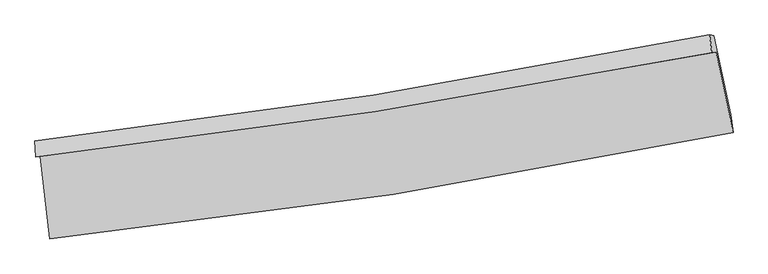
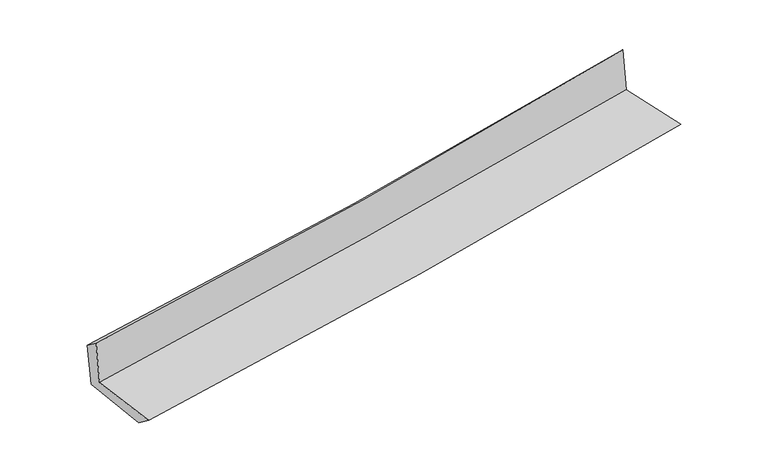
"""IFC4 building model written with IfcOpenShell, lengths in millimetres: proxy geometry."""

from ifc_helpers import new_model, si_unit, frame, origin, place, context, project, spatial, source, transform, mapped, element, save
from ifc_brep_helpers import plane_surface, spline_curve, spline_surface, advanced_brep


def generic_models_fa4bff21(model_context):
    return source(origin(), model_context, "Body", "AdvancedBrep", [
        advanced_brep(
        [(-2759.8388033, -1900.1940263, 1633.476205), (-2679.2912004, -2566.3889999, 1630.9690881), (2837.7212677, -1707.2007289, 2135.5666555), (2700.6532447, -1055.410027, 2133.1856521), (-2793.4593601, -1905.7839674, 2038.696802), (2666.3772486, -1061.1089452, 2546.3061041), (-2801.0251616, -1774.8377615, 1941.513745), (2648.0782665, -916.7440987, 2405.3383213), (-2766.7649536, -1780.0492289, 1544.1255734), (2682.9370963, -921.7561636, 2011.6997952), (-2687.6678154, -2419.4262317, 1520.545193), (2819.376489, -1561.7778559, 1992.5373314)],
        [
            (0, 1),
            (1, 2, spline_curve(3, [(-2679.2912004, -2566.3889999, 1630.9690881), (-1752.361457995, -2470.548792103, 1730.025699268), (-828.718283276, -2350.940420511, 1821.636198433), (1010.273590509, -2064.455505944, 1989.807560678), (1925.634571589, -1897.667787609, 2066.396250505), (2837.7212677, -1707.2007289, 2135.5666555)], [4, 2, 4], [0.0, 9.160501044809303, 18.303869222397353])),
            (2, 3),
            (3, 0, spline_curve(3, [(2700.6532447, -1055.410027, 2133.1856521), (1795.408674243, -1231.658639821, 2064.779069148), (888.173179808, -1390.132371396, 1988.97922877), (-931.983368251, -1671.793713677, 1822.437145785), (-1844.911889532, -1794.914648604, 1731.667170499), (-2759.8388033, -1900.1940263, 1633.476205)], [4, 2, 4], [0.0, 9.14336817758805, 18.303869222397353])),
            (4, 0),
            (3, 5),
            (5, 4, spline_curve(3, [(2666.3772486, -1061.1089452, 2546.3061041), (1762.815770773, -1237.07771767, 2457.613605172), (856.477127935, -1395.402333705, 2371.004223078), (-963.457990915, -1677.026859708, 2201.793308586), (-1877.064884254, -1800.2605846, 2119.199589699), (-2793.4593601, -1905.7839674, 2038.696802)], [4, 2, 4], [0.0, 9.094641048000252, 18.206323658198805])),
            (6, 4),
            (5, 7),
            (7, 6, spline_curve(3, [(2648.0782665, -916.7440987, 2405.3383213), (1746.607922589, -1099.876799955, 2331.312403675), (842.208583793, -1262.902860637, 2255.685076497), (-974.1482386, -1549.009503947, 2101.082891294), (-1886.116709038, -1672.014663983, 2022.102026657), (-2801.0251616, -1774.8377615, 1941.513745)], [4, 2, 4], [0.0, 9.084744121143594, 18.186511259598042])),
            (8, 6),
            (7, 9),
            (9, 8, spline_curve(3, [(2682.9370963, -921.7561636, 2011.6997952), (1780.990271862, -1104.869785587, 1941.48373327), (876.302677919, -1267.902883479, 1867.451231301), (-940.254390961, -1554.075896228, 1711.607473147), (-1852.134146875, -1677.140486722, 1629.781901221), (-2766.7649536, -1780.0492289, 1544.1255734)], [4, 2, 4], [0.0, 9.07582273840727, 18.168651777215075])),
            (10, 8),
            (9, 11),
            (11, 10, spline_curve(3, [(2819.376489, -1561.7778559, 1992.5373314), (1909.414888182, -1751.684447185, 1921.397706245), (995.94657494, -1918.063585135, 1846.535519551), (-839.721705542, -2204.034631526, 1689.218770542), (-1761.934827458, -2323.538285019, 1606.750244523), (-2687.6678154, -2419.4262317, 1520.545193)], [4, 2, 4], [0.0, 9.123559872625664, 18.2642154956189])),
            (1, 10),
            (11, 2),
        ],
        [
            spline_surface(3, 3, [[(-2759.8388033, -1900.1940263, 1633.476205), (-1844.911889622, -1794.914648489, 1731.667170604), (-931.983368133, -1671.793713571, 1822.437145906), (888.173179691, -1390.132371503, 1988.97922865), (1795.408674179, -1231.658639959, 2064.779069023), (2700.6532447, -1055.410027, 2133.1856521)], [(-2732.989602337, -2122.259017508, 1632.640499354), (-1814.061745796, -2020.126029696, 1731.12001345), (-897.561673184, -1898.175949175, 1822.17016338), (928.873316633, -1614.906749697, 1989.255339308), (1838.81730667, -1453.661689115, 2065.31812953), (2746.342585679, -1272.673594287, 2133.979319887)], [(-2706.140401363, -2344.324008692, 1631.804793746), (-1783.211601958, -2245.337410877, 1730.572856334), (-863.139978234, -2124.558184773, 1821.903180933), (969.573453576, -1839.681127884, 1989.531450045), (1882.225939223, -1675.664738309, 2065.857190076), (2792.031926721, -1489.937161613, 2134.772987713)], [(-2679.2912004, -2566.3889999, 1630.9690881), (-1752.361458133, -2470.548792084, 1730.025699179), (-828.718283285, -2350.940420377, 1821.636198407), (1010.273590519, -2064.455506077, 1989.807560703), (1925.634571715, -1897.667787464, 2066.396250583), (2837.7212677, -1707.2007289, 2135.5666555)]], [4, 4], [4, 2, 4], [0.0, 2.250832328912361], [0.0, 9.160501044809303, 18.303869222397353]),
            spline_surface(3, 3, [[(-2793.4593601, -1905.7839674, 2038.696802), (-1877.064884316, -1800.260584536, 2119.199589643), (-963.45799087, -1677.026859725, 2201.793308463), (856.47712789, -1395.402333688, 2371.004223201), (1762.815770687, -1237.077717803, 2457.613605035), (2666.3772486, -1061.1089452, 2546.3061041)], [(-2782.252507822, -1903.92065369, 1903.623269674), (-1866.347219406, -1798.478605844, 1990.022116637), (-952.96644995, -1675.282477668, 2075.341254277), (867.042478498, -1393.64567962, 2243.662558351), (1773.68007188, -1235.271358546, 2326.668759695), (2677.802580662, -1059.209305824, 2408.599286764)], [(-2771.045655578, -1902.05734001, 1768.549737326), (-1855.629554532, -1796.696627181, 1860.84464361), (-942.474909053, -1673.538095628, 1948.889200092), (877.607829083, -1391.88902557, 2116.320893501), (1784.544372987, -1233.464999217, 2195.723914363), (2689.227912638, -1057.309666376, 2270.892469436)], [(-2759.8388033, -1900.1940263, 1633.476205), (-1844.911889622, -1794.914648489, 1731.667170604), (-931.983368133, -1671.793713571, 1822.437145906), (888.173179691, -1390.132371503, 1988.97922865), (1795.408674179, -1231.658639959, 2064.779069023), (2700.6532447, -1055.410027, 2133.1856521)]], [4, 4], [4, 2, 4], [0.0, 1.2533866152017576], [0.0, 9.111682610198553, 18.206323658198805]),
            spline_surface(3, 3, [[(-2801.0251616, -1774.8377615, 1941.513745), (-1886.116709028, -1672.014664118, 2022.10202651), (-974.148238586, -1549.009503937, 2101.08289139), (842.208583779, -1262.902860647, 2255.685076401), (1746.607922703, -1099.876799912, 2331.312403651), (2648.0782665, -916.7440987, 2405.3383213)], [(-2798.503227778, -1818.486496797, 1973.908097308), (-1883.099434136, -1714.763304254, 2054.467880862), (-970.584822678, -1591.681955878, 2134.653030419), (846.964765152, -1307.069351672, 2294.124792006), (1752.01053868, -1145.610439195, 2373.412804126), (2654.177927182, -964.865714186, 2452.327582246)], [(-2795.981293922, -1862.135232103, 2006.302449692), (-1880.082159209, -1757.5119444, 2086.83373529), (-967.021406778, -1634.354407784, 2168.223169434), (851.720946517, -1351.235842663, 2332.564507596), (1757.41315471, -1191.34407852, 2415.513204561), (2660.277587918, -1012.987329714, 2499.316843154)], [(-2793.4593601, -1905.7839674, 2038.696802), (-1877.064884316, -1800.260584536, 2119.199589643), (-963.45799087, -1677.026859725, 2201.793308463), (856.47712789, -1395.402333688, 2371.004223201), (1762.815770687, -1237.077717803, 2457.613605035), (2666.3772486, -1061.1089452, 2546.3061041)]], [4, 4], [4, 2, 4], [0.0, 0.5566421942906101], [0.0, 9.101767138454449, 18.186511259598042]),
            spline_surface(3, 3, [[(-2766.7649536, -1780.0492289, 1544.1255734), (-1852.134146998, -1677.140486728, 1629.781901368), (-940.254391042, -1554.075896266, 1711.607473205), (876.302677999, -1267.902883442, 1867.451231243), (1780.990271969, -1104.869785488, 1941.483733308), (2682.9370963, -921.7561636, 2011.6997952)], [(-2778.185022921, -1778.312073105, 1676.588297291), (-1863.461667662, -1675.431879196, 1760.55527644), (-951.55234022, -1552.387098836, 1841.432612602), (864.937979929, -1266.23620919, 1996.862512965), (1769.529488874, -1103.205456967, 2071.426623414), (2671.31748636, -920.085475304, 2142.912637226)], [(-2789.605092279, -1776.574917295, 1809.051021109), (-1874.789188364, -1673.72327165, 1891.328651439), (-962.850289408, -1550.698301366, 1971.257751993), (853.573281849, -1264.569534898, 2126.27379468), (1758.068705798, -1101.541128433, 2201.369513545), (2659.69787644, -918.414786996, 2274.125479274)], [(-2801.0251616, -1774.8377615, 1941.513745), (-1886.116709028, -1672.014664118, 2022.10202651), (-974.148238586, -1549.009503937, 2101.08289139), (842.208583779, -1262.902860647, 2255.685076401), (1746.607922703, -1099.876799912, 2331.312403651), (2648.0782665, -916.7440987, 2405.3383213)]], [4, 4], [4, 2, 4], [0.0, 1.280745702174336], [0.0, 9.092829038807805, 18.168651777215075]),
            spline_surface(3, 3, [[(-2687.6678154, -2419.4262317, 1520.545193), (-1761.934827414, -2323.538285146, 1606.750244494), (-839.721705651, -2204.034631418, 1689.218770522), (995.946575049, -1918.063585243, 1846.535519571), (1909.414888116, -1751.684447093, 1921.397706321), (2819.376489, -1561.7778559, 1992.5373314)], [(-2714.033528146, -2206.300564096, 1528.405319798), (-1792.001267288, -2108.072352336, 1614.42746345), (-873.232600774, -1987.381719698, 1696.681671409), (956.065276039, -1701.343351307, 1853.507423455), (1866.606682756, -1536.079559907, 1928.093048653), (2773.896691456, -1348.437291816, 1998.924819336)], [(-2740.399240854, -1993.174896504, 1536.265446602), (-1822.067707124, -1892.606419538, 1622.104682413), (-906.743495919, -1770.728807986, 1704.144572317), (916.183977008, -1484.623117378, 1860.479327359), (1823.798477329, -1320.474672674, 1934.788390976), (2728.416893844, -1135.096727684, 2005.312307264)], [(-2766.7649536, -1780.0492289, 1544.1255734), (-1852.134146998, -1677.140486728, 1629.781901368), (-940.254391042, -1554.075896266, 1711.607473205), (876.302677999, -1267.902883442, 1867.451231243), (1780.990271969, -1104.869785488, 1941.483733308), (2682.9370963, -921.7561636, 2011.6997952)]], [4, 4], [4, 2, 4], [0.0, 2.1642647950853466], [0.0, 9.140655622993235, 18.2642154956189]),
            spline_surface(3, 3, [[(-2679.2912004, -2566.3889999, 1630.9690881), (-1752.361458133, -2470.548792084, 1730.025699179), (-828.718283285, -2350.940420377, 1821.636198407), (1010.273590519, -2064.455506077, 1989.807560703), (1925.634571715, -1897.667787464, 2066.396250583), (2837.7212677, -1707.2007289, 2135.5666555)], [(-2682.083405396, -2517.401410504, 1594.161123076), (-1755.552581222, -2421.545289775, 1688.93388096), (-832.386090761, -2301.971824039, 1777.497055805), (1005.497918675, -2015.658199114, 1942.050213685), (1920.228010509, -1849.00667399, 2018.063402503), (2831.60634146, -1658.726437883, 2087.890214141)], [(-2684.875610404, -2468.413821096, 1557.353158024), (-1758.743704324, -2372.541787454, 1647.842062713), (-836.053898175, -2253.003227757, 1733.357913124), (1000.722246892, -1966.860892207, 1894.292866589), (1914.821449322, -1800.345560567, 1969.730554401), (2825.49141524, -1610.252146917, 2040.213772759)], [(-2687.6678154, -2419.4262317, 1520.545193), (-1761.934827414, -2323.538285146, 1606.750244494), (-839.721705651, -2204.034631418, 1689.218770522), (995.946575049, -1918.063585243, 1846.535519571), (1909.414888116, -1751.684447093, 1921.397706321), (2819.376489, -1561.7778559, 1992.5373314)]], [4, 4], [4, 2, 4], [0.0, 0.6615976450686831], [0.0, 9.198382570071196, 18.379561423178394]),
            plane_surface(frame((2725.8572688, -1203.9996365, 2204.1056433), z_axis=(0.9750970430139516, 0.20536346644700731, 0.08373531724617139), x_axis=(-0.08820313865644806, 0.012682005003357207, 0.9960217733966694))),
            plane_surface(frame((-2748.0078824, -2057.780036, 1718.2211011), z_axis=(-0.9893214387417799, -0.11930074069298513, -0.08372827548683939), x_axis=(-0.1200319471226987, 0.9927629995147453, 0.0037361028384724016))),
        ],
        [
            (0, [[1, 2, 3, 4]]),
            (1, [[5, -4, 6, 7]]),
            (2, [[8, -7, 9, 10]]),
            (3, [[11, -10, 12, 13]]),
            (4, [[14, -13, 15, 16]]),
            (5, [[17, -16, 18, -2]]),
            (6, [[-12, -9, -6, -3, -18, -15]]),
            (7, [[-1, -5, -8, -11, -14, -17]]),
        ],
    ),
    ])


if __name__ == "__main__":
    model = new_model("IFC4")
    model_context = context("Model", 3, world=origin())
    ifc_project = project(units=[si_unit("LENGTHUNIT", "METRE", prefix="MILLI")], contexts=[model_context])
    site = spatial("IfcSite", under=ifc_project)
    building = spatial("IfcBuilding", under=site)
    placement = place(None, origin())
    generic_models_shape = generic_models_fa4bff21(model_context)
    element("IfcBuildingElementProxy", 1, Name="Generic Models", at=placement, inside=building, context=model_context, shape_type="MappedRepresentation", body=[
        mapped(generic_models_shape, transform((0.0, 0.0, 0.0), x_axis=(1.0, 0.0, 0.0), y_axis=(0.0, 1.0, 0.0), z_axis=(0.0, 0.0, 1.0))),
    ])
    save(model, "model.ifc")
